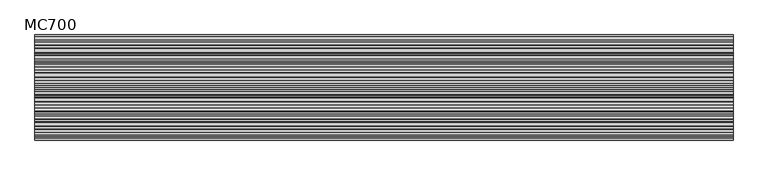
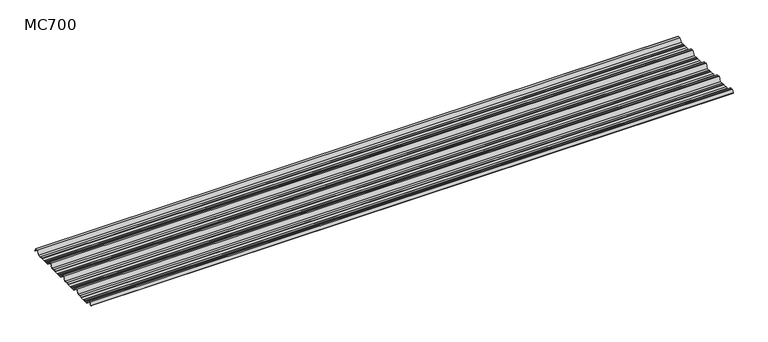
"""IFC4 building model written with IfcOpenShell, lengths in millimetres: beam geometry, MC700."""

from ifc_helpers import new_model, si_unit, point, frame, frame_2d, origin, place, context, project, spatial, polyline, circle_curve, trimmed, segment, composite_curve, outline, extrude, source, transform, mapped, element, save


def mc700_44362ba4(model_context):
    return source(origin(), model_context, "Body", "SweptSolid", [
        extrude(outline(composite_curve([segment(polyline([(-279.7790109, -25.7896475), (-284.1593286, -23.7494212), (-300.5873198, -23.7494212), (-303.802364, -25.7896475), (-326.5000016, -25.7896475), (-344.5745116, 5.2103525), (-355.0, 5.2103525), (-365.4254884, 5.2103525), (-383.4999984, -25.7896475), (-406.197636, -25.7896475), (-409.4126802, -23.7494212), (-425.8406714, -23.7494212), (-430.2209891, -25.7896475), (-457.2790109, -25.7896475), (-461.6593286, -23.7494212), (-478.0873198, -23.7494212), (-481.302364, -25.7896475), (-504.0000016, -25.7896475), (-522.0745116, 5.2103525), (-532.5, 5.2103525), (-542.9254884, 5.2103525), (-560.9999984, -25.7896475), (-583.697636, -25.7896475), (-586.9126802, -23.7494212), (-603.3406714, -23.7494212), (-607.7209891, -25.7896475), (-634.7790109, -25.7896475), (-639.1593286, -23.7494212), (-655.5873198, -23.7494212), (-658.802364, -25.7896475), (-681.5000016, -25.7896475), (-699.5745116, 5.2103525), (-710.0, 5.2103525), (-720.4254884, 5.2103525), (-732.728303, -15.8904825)]), True, "CONTINUOUS"), segment(trimmed(circle_curve(frame_2d((-733.160246, -15.6386387)), 0.5), [point((-732.728303, -15.8904825))], [point((-733.5921889, -15.3867949))], False, "CARTESIAN"), True, "CONTINUOUS"), segment(polyline([(-733.5921889, -15.3867949), (-721.0, 6.2103525), (-710.0, 6.2103525), (-699.0, 6.2103525), (-680.92549, -24.7896475), (-659.0928785, -24.7896475), (-655.8778343, -22.7494212), (-638.9378651, -22.7494212), (-634.5575473, -24.7896475), (-607.9424527, -24.7896475), (-603.5621349, -22.7494212), (-586.6221657, -22.7494212), (-583.4071215, -24.7896475), (-561.57451, -24.7896475), (-543.5, 6.2103525), (-532.5, 6.2103525), (-521.5, 6.2103525), (-503.42549, -24.7896475), (-481.5928785, -24.7896475), (-478.3778343, -22.7494212), (-461.4378651, -22.7494212), (-457.0575473, -24.7896475), (-430.4424527, -24.7896475), (-426.0621349, -22.7494212), (-409.1221657, -22.7494212), (-405.9071215, -24.7896475), (-384.07451, -24.7896475), (-366.0, 6.2103525), (-355.0, 6.2103525), (-344.0, 6.2103525), (-325.92549, -24.7896475), (-304.0928785, -24.7896475), (-300.8778343, -22.7494212), (-283.9378651, -22.7494212), (-279.5575473, -24.7896475), (-252.9424527, -24.7896475), (-248.5621349, -22.7494212), (-231.6221657, -22.7494212), (-228.4071215, -24.7896475), (-206.57451, -24.7896475), (-188.5, 6.2103525), (-177.5, 6.2103525), (-166.5, 6.2103525), (-148.42549, -24.7896475), (-126.5928785, -24.7896475), (-123.3778343, -22.7494212), (-106.4378651, -22.7494212), (-102.0575473, -24.7896475), (-75.4424527, -24.7896475), (-71.0621349, -22.7494212), (-54.1221657, -22.7494212), (-50.9071215, -24.7896475), (-26.7593894, -24.7896475), (-9.8509769, 4.2103525), (9.8509769, 4.2103525), (24.2964926, -20.5654776)]), True, "CONTINUOUS"), segment(trimmed(circle_curve(frame_2d((23.8645497, -20.8173214)), 0.5), [point((24.2964926, -20.5654776))], [point((23.4326067, -21.0691651))], False, "CARTESIAN"), True, "CONTINUOUS"), segment(polyline([(23.4326067, -21.0691651), (9.2764653, 3.2103525), (-9.2764653, 3.2103525), (-26.1848779, -25.7896475), (-51.197636, -25.7896475), (-54.4126802, -23.7494212), (-70.8406714, -23.7494212), (-75.2209891, -25.7896475), (-102.2790109, -25.7896475), (-106.6593286, -23.7494212), (-123.0873198, -23.7494212), (-126.302364, -25.7896475), (-149.0000016, -25.7896475), (-167.0745116, 5.2103525), (-177.5, 5.2103525), (-187.9254884, 5.2103525), (-205.9999984, -25.7896475), (-228.697636, -25.7896475), (-231.9126802, -23.7494212), (-248.3406714, -23.7494212), (-252.7209891, -25.7896475), (-279.7790109, -25.7896475)]), True, "CONTINUOUS")], self_intersect=False)), frame((-2517.1192379, 0.0, 0.0), z_axis=(1.0, 0.0, 0.0), x_axis=(0.0, 1.0, 0.0)), (0.0, 0.0, 1.0), 5034.2384758),
    ])


if __name__ == "__main__":
    model = new_model("IFC4")
    model_context = context("Model", 3, world=origin())
    ifc_project = project(units=[si_unit("LENGTHUNIT", "METRE", prefix="MILLI")], contexts=[model_context])
    site = spatial("IfcSite", under=ifc_project)
    building = spatial("IfcBuilding", under=site)
    placement = place(None, origin())
    mc700_shape = mc700_44362ba4(model_context)
    element("IfcBeam", 1, ObjectType="MC700", at=placement, inside=building, context=model_context, shape_type="MappedRepresentation", body=[
        mapped(mc700_shape, transform((0.0, 0.0, 0.0), x_axis=(1.0, 0.0, 0.0), y_axis=(0.0, 1.0, 0.0), z_axis=(0.0, 0.0, 1.0))),
    ])
    save(model, "model.ifc")
